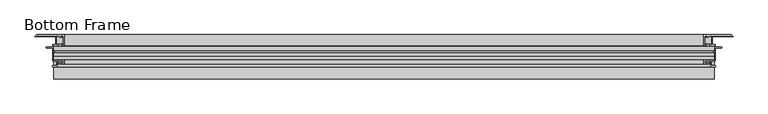
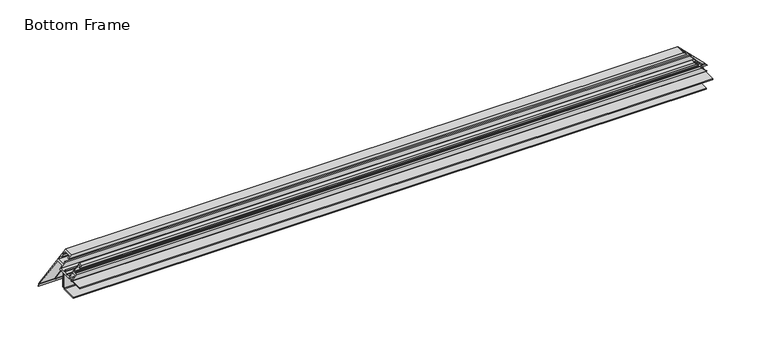
"""IFC4 building model written with IfcOpenShell, lengths in millimetres: proxy geometry, Bottom Frame."""

from ifc_helpers import new_model, si_unit, point, frame, frame_2d, origin, place, context, project, spatial, polyline, circle_curve, ellipse_curve, trimmed, segment, composite_curve, outline, extrude, source, transform, mapped, element, save
from ifc_brep_helpers import plane_surface, cylinder_surface, advanced_brep


def bottom_frame_2cfa7307(model_context):
    return source(origin(), model_context, "Body", "SolidModel", [
        advanced_brep(
        [(-151.3880089, -77.6321612, 295.6853824), (827.1668783, -77.6321612, 295.6853824), (827.1668783, -90.6620297, 295.6853824), (-151.3880089, -90.6620297, 295.6853824), (831.5864783, -90.6620297, 291.2657824), (-155.8076089, -90.6620297, 291.2657824), (831.5864783, -94.3803043, 291.2657824), (-155.8076089, -94.3803043, 291.2657824), (840.7310428, -94.3803043, 282.1212179), (-164.9521733, -94.3803043, 282.1212179), (840.7310428, -95.8979182, 282.1212179), (-164.9521733, -95.8979182, 282.1212179), (831.5864783, -95.8979182, 291.2657824), (-155.8076089, -95.8979182, 291.2657824), (831.5864783, -115.1606612, 291.2657824), (-155.8076089, -115.1606612, 291.2657824), (825.0586783, -115.1606612, 297.7935824), (-149.2798089, -115.1606612, 297.7935824), (825.0586783, -122.1488543, 297.7935824), (-149.2798089, -122.1488543, 297.7935824), (831.2060428, -122.1488543, 291.6462179), (-155.4271733, -122.1488543, 291.6462179), (831.2060428, -123.6696612, 291.6462179), (-155.4271733, -123.6696612, 291.6462179), (823.5346783, -123.6696612, 299.3175824), (-147.7558089, -123.6696612, 299.3175824), (823.5346783, -119.8564682, 299.3175824), (-147.7558089, -119.8564682, 299.3175824), (-147.7558089, -118.3272703, 299.3175824), (823.5346783, -118.3272703, 299.3175824), (823.5346783, -115.1606612, 299.3175824), (-147.7558089, -115.1606612, 299.3175824), (815.3558783, -115.1606612, 307.4963824), (-139.5770089, -115.1606612, 307.4963824), (815.3558783, -118.3272703, 307.4963824), (-139.5770089, -118.3272703, 307.4963824), (-137.7990089, -119.8564682, 309.2743824), (813.5778783, -119.8564682, 309.2743824), (813.5778783, -113.3826612, 309.2743824), (-137.7990089, -113.3826612, 309.2743824), (829.8084783, -113.3826612, 293.0437824), (-154.0296089, -113.3826612, 293.0437824), (829.8084783, -108.4927874, 293.0437824), (-154.0296089, -108.4927874, 293.0437824), (-154.0296089, -107.3505351, 293.0437824), (829.8084783, -107.3505351, 293.0437824), (829.8084783, -102.5144516, 293.0437824), (-154.0296089, -102.5144516, 293.0437824), (-154.0296089, -100.3016612, 293.0437824), (829.8084783, -100.3016612, 293.0437824), (829.8084783, -92.4400297, 293.0437824), (-154.0296089, -92.4400297, 293.0437824), (822.6583783, -92.4400297, 300.1938824), (-146.8795089, -92.4400297, 300.1938824), (822.6583783, -89.7304417, 300.1938824), (-146.8795089, -89.7304417, 300.1938824), (825.2157219, -90.6612387, 297.6365388), (-149.4368525, -90.6612387, 297.6365388), (-139.7479921, -90.6620297, 307.3253992), (815.5268615, -90.6620297, 307.3253992), (818.0863783, -89.7304417, 304.7658824), (-142.3075089, -89.7304417, 304.7658824), (818.0863783, -92.1860297, 304.7658824), (-142.3075089, -92.1860297, 304.7658824), (813.5778783, -92.1860297, 309.2743824), (-137.7990089, -92.1860297, 309.2743824), (813.5778783, -75.8541612, 309.2743824), (-137.7990089, -75.8541612, 309.2743824), (855.2790706, -75.8541612, 267.5731901), (-179.5002012, -75.8541612, 267.5731901), (-178.6796187, -77.6321612, 268.3937725), (854.4584882, -77.6321612, 268.3937725), (-179.4757916, -78.4283341, 267.5975997), (855.254661, -78.4283341, 267.5975997), (-182.074374, -78.4283341, 264.9990172), (857.8532434, -78.4283341, 264.9990172), (-139.7479921, -77.6321612, 307.3253992), (815.5268615, -77.6321612, 307.3253992), (-143.0868525, -77.6321612, 303.9865388), (818.8657219, -77.6321612, 303.9865388), (-143.0868525, -79.3102746, 303.9865388), (818.8657219, -79.3102746, 303.9865388), (-146.1489338, -79.3102746, 300.9244575), (821.9278032, -79.3102746, 300.9244575), (-146.1489338, -77.6321612, 300.9244575), (821.9278032, -77.6321612, 300.9244575), (-149.4368525, -77.6321612, 297.6365388), (825.2157219, -77.6321612, 297.6365388), (-152.6349183, -100.3016612, 294.4384729), (828.4137878, -100.3016612, 294.4384729), (-152.6349183, -102.5144516, 294.4384729), (828.4137878, -102.5144516, 294.4384729), (-154.8452615, -107.9216612, 292.2281297), (830.624131, -107.9216612, 292.2281297), (-141.4508138, -119.8564682, 305.6225774), (817.2296832, -119.8564682, 305.6225774), (-141.4508138, -118.3272703, 305.6225774), (817.2296832, -118.3272703, 305.6225774), (-146.06213, -118.3272703, 301.0112613), (821.8409994, -118.3272703, 301.0112613), (-146.06213, -119.8564682, 301.0112613), (821.8409994, -119.8564682, 301.0112613)],
        [
            (0, 1),
            (1, 2),
            (2, 3),
            (3, 0),
            (2, 4),
            (4, 5),
            (5, 3),
            (4, 6),
            (6, 7),
            (7, 5),
            (6, 8),
            (8, 9),
            (9, 7),
            (8, 10, ellipse_curve(frame((840.3391887, -95.1391112, 282.5130719), z_axis=(-0.7071067811865512, 0.0, -0.7071067811865438), x_axis=(-0.7071067811865439, 0.0, 0.7071067811865512)), 1.2077563, 0.8540127)),
            (10, 11),
            (11, 9, ellipse_curve(frame((-164.5603193, -95.1391112, 282.5130719), z_axis=(0.7071067811865485, 0.0, -0.7071067811865466), x_axis=(-0.7071067811865466, 0.0, -0.7071067811865485)), 1.2077563, 0.8540127)),
            (10, 12),
            (12, 13),
            (13, 11),
            (12, 14),
            (14, 15),
            (15, 13),
            (14, 16),
            (16, 17),
            (17, 15),
            (16, 18),
            (18, 19),
            (19, 17),
            (18, 20),
            (20, 21),
            (21, 19),
            (20, 22, ellipse_curve(frame((830.8657414, -122.9092578, 291.9865193), z_axis=(-0.7071067811865512, 0.0, -0.7071067811865438), x_axis=(-0.7071067811865439, 0.0, 0.7071067811865512)), 1.1781498, 0.8330777)),
            (22, 23),
            (23, 21, ellipse_curve(frame((-155.0868719, -122.9092578, 291.9865193), z_axis=(0.7071067811865485, 0.0, -0.7071067811865466), x_axis=(-0.7071067811865466, 0.0, -0.7071067811865485)), 1.1781498, 0.8330777)),
            (22, 24),
            (24, 25),
            (25, 23),
            (24, 26),
            (26, 27),
            (27, 25),
            (28, 29),
            (29, 30),
            (30, 31),
            (31, 28),
            (30, 32),
            (32, 33),
            (33, 31),
            (32, 34),
            (34, 35),
            (35, 33),
            (36, 37),
            (37, 38),
            (38, 39),
            (39, 36),
            (38, 40),
            (40, 41),
            (41, 39),
            (40, 42),
            (42, 43),
            (43, 41),
            (44, 45),
            (45, 46),
            (46, 47),
            (47, 44),
            (48, 49),
            (49, 50),
            (50, 51),
            (51, 48),
            (50, 52),
            (52, 53),
            (53, 51),
            (52, 54),
            (54, 55),
            (55, 53),
            (54, 56),
            (56, 57),
            (57, 55),
            (58, 59),
            (59, 60),
            (60, 61),
            (61, 58),
            (60, 62),
            (62, 63),
            (63, 61),
            (62, 64),
            (64, 65),
            (65, 63),
            (64, 66),
            (66, 67),
            (67, 65),
            (66, 68),
            (68, 69),
            (69, 67),
            (0, 70),
            (70, 71),
            (71, 1),
            (70, 72),
            (72, 73),
            (73, 71),
            (74, 75),
            (75, 73),
            (72, 74),
            (74, 69),
            (68, 75),
            (58, 76),
            (76, 77),
            (77, 59),
            (76, 78),
            (78, 79),
            (79, 77),
            (78, 80),
            (80, 81),
            (81, 79),
            (80, 82),
            (82, 83),
            (83, 81),
            (82, 84),
            (84, 85),
            (85, 83),
            (84, 86),
            (86, 87),
            (87, 85),
            (86, 57),
            (56, 87),
            (48, 88),
            (88, 89),
            (89, 49),
            (88, 90),
            (90, 91),
            (91, 89),
            (90, 47),
            (46, 91),
            (44, 92),
            (92, 93),
            (93, 45),
            (92, 43),
            (42, 93),
            (36, 94),
            (94, 95),
            (95, 37),
            (94, 96),
            (96, 97),
            (97, 95),
            (96, 35),
            (34, 97),
            (28, 98),
            (98, 99),
            (99, 29),
            (98, 100),
            (100, 101),
            (101, 99),
            (100, 27),
            (26, 101),
        ],
        [
            plane_surface(frame((-182.074374, -77.6321612, 295.6853824), z_axis=(0.0, 0.0, -1.0), x_axis=(1.0, 0.0, 0.0))),
            plane_surface(frame((-182.074374, -90.6620297, 295.6853824), z_axis=(0.0, 1.0, 0.0), x_axis=(1.0, 0.0, 0.0))),
            plane_surface(frame((-182.074374, -90.6620297, 291.2657824), z_axis=(0.0, 0.0, -1.0), x_axis=(1.0, 0.0, 0.0))),
            plane_surface(frame((-182.074374, -94.3803043, 291.2657824), z_axis=(0.0, 1.0, 0.0), x_axis=(1.0, 0.0, 0.0))),
            cylinder_surface(frame((-182.074374, -95.1391112, 282.5130719), z_axis=(-1.0, 0.0, 0.0), x_axis=(0.0, 1.0, 0.0)), 0.8540127),
            plane_surface(frame((-182.074374, -95.8979182, 282.1212179), z_axis=(0.0, -1.0, 0.0), x_axis=(1.0, 0.0, 0.0))),
            plane_surface(frame((-182.074374, -95.8979182, 291.2657824), z_axis=(0.0, 0.0, -1.0), x_axis=(1.0, 0.0, 0.0))),
            plane_surface(frame((-182.074374, -115.1606612, 291.2657824), z_axis=(0.0, -1.0, 0.0), x_axis=(1.0, 0.0, 0.0))),
            plane_surface(frame((-182.074374, -115.1606612, 297.7935824), z_axis=(0.0, 0.0, -1.0), x_axis=(1.0, 0.0, 0.0))),
            plane_surface(frame((-182.074374, -122.1488543, 297.7935824), z_axis=(0.0, 1.0, 0.0), x_axis=(1.0, 0.0, 0.0))),
            cylinder_surface(frame((-182.074374, -122.9092578, 291.9865193), z_axis=(-1.0, 0.0, 0.0), x_axis=(0.0, 1.0, 0.0)), 0.8330777),
            plane_surface(frame((-182.074374, -123.6696612, 291.6462179), z_axis=(0.0, -1.0, 0.0), x_axis=(1.0, 0.0, 0.0))),
            plane_surface(frame((-182.074374, -123.6696612, 299.3175824), z_axis=(0.0, 0.0, 1.0), x_axis=(1.0, 0.0, 0.0))),
            plane_surface(frame((-182.074374, -118.3272703, 299.3175824), z_axis=(0.0, 0.0, 1.0), x_axis=(1.0, 0.0, 0.0))),
            plane_surface(frame((-182.074374, -115.1606612, 299.3175824), z_axis=(0.0, -1.0, 0.0), x_axis=(1.0, 0.0, 0.0))),
            plane_surface(frame((-182.074374, -115.1606612, 307.4963824), z_axis=(0.0, 0.0, -1.0), x_axis=(1.0, 0.0, 0.0))),
            plane_surface(frame((-182.074374, -119.8564682, 309.2743824), z_axis=(0.0, 0.0, 1.0), x_axis=(1.0, 0.0, 0.0))),
            plane_surface(frame((-182.074374, -113.3826612, 309.2743824), z_axis=(0.0, 1.0, 0.0), x_axis=(1.0, 0.0, 0.0))),
            plane_surface(frame((-182.074374, -113.3826612, 293.0437824), z_axis=(0.0, 0.0, 1.0), x_axis=(1.0, 0.0, 0.0))),
            plane_surface(frame((-182.074374, -107.3505351, 293.0437824), z_axis=(0.0, 0.0, 1.0), x_axis=(1.0, 0.0, 0.0))),
            plane_surface(frame((-182.074374, -100.3016612, 293.0437824), z_axis=(0.0, 0.0, 1.0), x_axis=(1.0, 0.0, 0.0))),
            plane_surface(frame((-182.074374, -92.4400297, 293.0437824), z_axis=(0.0, -1.0, 0.0), x_axis=(1.0, 0.0, 0.0))),
            plane_surface(frame((-182.074374, -92.4400297, 300.1938824), z_axis=(0.0, 0.0, 1.0), x_axis=(1.0, 0.0, 0.0))),
            plane_surface(frame((-182.074374, -89.7304417, 300.1938824), z_axis=(0.0, 0.9396926207859121, -0.3420201433256587), x_axis=(1.0, 0.0, 0.0))),
            plane_surface(frame((-182.074374, -90.6620297, 307.3253992), z_axis=(0.0, 0.9396926207859045, 0.3420201433256794), x_axis=(1.0, 0.0, 0.0))),
            plane_surface(frame((-182.074374, -89.7304417, 304.7658824), z_axis=(0.0, 0.0, -1.0), x_axis=(1.0, 0.0, 0.0))),
            plane_surface(frame((-182.074374, -92.1860297, 304.7658824), z_axis=(0.0, -1.0, 0.0), x_axis=(1.0, 0.0, 0.0))),
            plane_surface(frame((-182.074374, -92.1860297, 309.2743824), z_axis=(0.0, 0.0, 1.0), x_axis=(1.0, 0.0, 0.0))),
            plane_surface(frame((-182.074374, -75.8541612, 309.2743824), z_axis=(0.0, 1.0, 0.0), x_axis=(1.0, 0.0, 0.0))),
            plane_surface(frame((-182.074374, -77.6321612, 268.3937725), z_axis=(0.0, -1.0, 0.0), x_axis=(1.0, 0.0, 0.0))),
            plane_surface(frame((-182.074374, -78.4283341, 267.5975997), z_axis=(0.0, -0.707106781186555, 0.70710678118654), x_axis=(1.0, 0.0, 0.0))),
            plane_surface(frame((-182.074374, -78.4283341, 264.9990172), z_axis=(0.0, -1.0, 0.0), x_axis=(1.0, 0.0, 0.0))),
            plane_surface(frame((-182.074374, -75.8541612, 267.5731901), z_axis=(0.0, 0.7071067811865476, -0.7071067811865476), x_axis=(1.0, 0.0, 0.0))),
            plane_surface(frame((-182.074374, -77.6321612, 307.3253992), z_axis=(0.0, 0.0, -1.0), x_axis=(1.0, 0.0, 0.0))),
            plane_surface(frame((-182.074374, -77.6321612, 303.9865388), z_axis=(0.0, -1.0, 0.0), x_axis=(1.0, 0.0, 0.0))),
            plane_surface(frame((-182.074374, -79.3102746, 303.9865388), z_axis=(0.0, 0.0, 1.0), x_axis=(1.0, 0.0, 0.0))),
            plane_surface(frame((-182.074374, -79.3102746, 300.9244575), z_axis=(0.0, -1.0, 0.0), x_axis=(1.0, 0.0, 0.0))),
            plane_surface(frame((-182.074374, -77.6321612, 300.9244575), z_axis=(0.0, 0.0, -1.0), x_axis=(1.0, 0.0, 0.0))),
            plane_surface(frame((-182.074374, -77.6321612, 297.6365388), z_axis=(0.0, -1.0, 0.0), x_axis=(1.0, 0.0, 0.0))),
            plane_surface(frame((-182.074374, -90.6612387, 297.6365388), z_axis=(0.0, 0.0, 1.0), x_axis=(1.0, 0.0, 0.0))),
            plane_surface(frame((-182.074374, -100.3016612, 294.4384729), z_axis=(0.0, 1.0, 0.0), x_axis=(1.0, 0.0, 0.0))),
            plane_surface(frame((-182.074374, -102.5144516, 294.4384729), z_axis=(0.0, 0.0, 1.0), x_axis=(1.0, 0.0, 0.0))),
            plane_surface(frame((-182.074374, -102.5144516, 293.0437824), z_axis=(0.0, -1.0, 0.0), x_axis=(1.0, 0.0, 0.0))),
            plane_surface(frame((-182.074374, -107.9216612, 292.2281297), z_axis=(0.0, -0.8191520442889877, 0.573576436351052), x_axis=(1.0, 0.0, 0.0))),
            plane_surface(frame((-182.074374, -108.4927874, 293.0437824), z_axis=(0.0, 0.8191520442889936, 0.5735764363510437), x_axis=(1.0, 0.0, 0.0))),
            plane_surface(frame((-182.074374, -119.8564682, 305.6225774), z_axis=(0.0, -1.0, 0.0), x_axis=(1.0, 0.0, 0.0))),
            plane_surface(frame((-182.074374, -118.3272703, 305.6225774), z_axis=(0.0, 0.0, -1.0), x_axis=(1.0, 0.0, 0.0))),
            plane_surface(frame((-182.074374, -118.3272703, 307.4963824), z_axis=(0.0, 1.0, 0.0), x_axis=(1.0, 0.0, 0.0))),
            plane_surface(frame((-182.074374, -118.3272703, 301.0112613), z_axis=(0.0, 1.0, 0.0), x_axis=(1.0, 0.0, 0.0))),
            plane_surface(frame((-182.074374, -119.8564682, 301.0112613), z_axis=(0.0, 0.0, 1.0), x_axis=(1.0, 0.0, 0.0))),
            plane_surface(frame((-182.074374, -119.8564682, 299.3175824), z_axis=(0.0, -1.0, 0.0), x_axis=(1.0, 0.0, 0.0))),
            plane_surface(frame((-128.1928373, -50.4541612, 318.880554), z_axis=(-0.7071067811865485, 0.0, 0.7071067811865466), x_axis=(0.0, -1.0, 0.0))),
            plane_surface(frame((867.4717067, -50.4541612, 255.380554), z_axis=(0.7071067811865512, 0.0, 0.7071067811865438), x_axis=(0.0, -1.0, 0.0))),
        ],
        [
            (0, [[1, 2, 3, 4]]),
            (1, [[-3, 5, 6, 7]]),
            (2, [[-6, 8, 9, 10]]),
            (3, [[-9, 11, 12, 13]]),
            (4, [[-12, 14, 15, 16]]),
            (5, [[-15, 17, 18, 19]]),
            (6, [[-18, 20, 21, 22]]),
            (7, [[-21, 23, 24, 25]]),
            (8, [[-24, 26, 27, 28]]),
            (9, [[-27, 29, 30, 31]]),
            (10, [[-30, 32, 33, 34]]),
            (11, [[-33, 35, 36, 37]]),
            (12, [[-36, 38, 39, 40]]),
            (13, [[41, 42, 43, 44]]),
            (14, [[-43, 45, 46, 47]]),
            (15, [[-46, 48, 49, 50]]),
            (16, [[51, 52, 53, 54]]),
            (17, [[-53, 55, 56, 57]]),
            (18, [[-56, 58, 59, 60]]),
            (19, [[61, 62, 63, 64]]),
            (20, [[65, 66, 67, 68]]),
            (21, [[-67, 69, 70, 71]]),
            (22, [[-70, 72, 73, 74]]),
            (23, [[-73, 75, 76, 77]]),
            (24, [[78, 79, 80, 81]]),
            (25, [[-80, 82, 83, 84]]),
            (26, [[-83, 85, 86, 87]]),
            (27, [[-86, 88, 89, 90]]),
            (28, [[-89, 91, 92, 93]]),
            (29, [[-1, 94, 95, 96]]),
            (30, [[-95, 97, 98, 99]]),
            (31, [[100, 101, -98, 102]]),
            (32, [[-100, 103, -92, 104]]),
            (33, [[-78, 105, 106, 107]]),
            (34, [[-106, 108, 109, 110]]),
            (35, [[-109, 111, 112, 113]]),
            (36, [[-112, 114, 115, 116]]),
            (37, [[-115, 117, 118, 119]]),
            (38, [[-118, 120, 121, 122]]),
            (39, [[-121, 123, -76, 124]]),
            (40, [[-65, 125, 126, 127]]),
            (41, [[-126, 128, 129, 130]]),
            (42, [[-129, 131, -63, 132]]),
            (43, [[-61, 133, 134, 135]]),
            (44, [[-134, 136, -59, 137]]),
            (45, [[-51, 138, 139, 140]]),
            (46, [[-139, 141, 142, 143]]),
            (47, [[-142, 144, -49, 145]]),
            (48, [[-41, 146, 147, 148]]),
            (49, [[-147, 149, 150, 151]]),
            (50, [[-150, 152, -39, 153]]),
            (51, [[-4, -7, -10, -13, -16, -19, -22, -25, -28, -31, -34, -37, -40, -152, -149, -146, -44, -47, -50, -144, -141, -138, -54, -57, -60, -136, -133, -64, -131, -128, -125, -68, -71, -74, -77, -123, -120, -117, -114, -111, -108, -105, -81, -84, -87, -90, -93, -103, -102, -97, -94]]),
            (52, [[-2, -96, -99, -101, -104, -91, -88, -85, -82, -79, -107, -110, -113, -116, -119, -122, -124, -75, -72, -69, -66, -127, -130, -132, -62, -135, -137, -58, -55, -52, -140, -143, -145, -48, -45, -42, -148, -151, -153, -38, -35, -32, -29, -26, -23, -20, -17, -14, -11, -8, -5]]),
        ],
    ),
        extrude(outline(composite_curve([segment(polyline([(-142.2300781, 291.2657824), (-101.5018112, 291.2657824)]), True, "CONTINUOUS"), segment(trimmed(circle_curve(frame_2d((-101.5018112, 288.8400824)), 2.4257), [point((-101.5018112, 291.2657824))], [point((-99.0761112, 288.8400824))], False, "CARTESIAN"), True, "CONTINUOUS"), segment(polyline([(-99.0761112, 288.8400824), (-99.0761112, 265.7006824)]), True, "CONTINUOUS"), segment(trimmed(circle_curve(frame_2d((-101.5018112, 265.7006824)), 2.4257), [point((-99.0761112, 265.7006824))], [point((-101.5018112, 263.2749824))], False, "CARTESIAN"), True, "CONTINUOUS"), segment(polyline([(-101.5018112, 263.2749824), (-124.4761112, 263.2749824), (-124.4761112, 264.8878824), (-101.5187721, 264.8878824)]), True, "CONTINUOUS"), segment(trimmed(circle_curve(frame_2d((-101.5187721, 265.7176432)), 0.8297608), [point((-101.5187721, 264.8878824))], [point((-100.6890112, 265.7176432))], True, "CARTESIAN"), True, "CONTINUOUS"), segment(polyline([(-100.6890112, 265.7176432), (-100.6890112, 288.8400824)]), True, "CONTINUOUS"), segment(trimmed(circle_curve(frame_2d((-101.5018112, 288.8400824)), 0.8128), [point((-100.6890112, 288.8400824))], [point((-101.5018112, 289.6528824))], True, "CARTESIAN"), True, "CONTINUOUS"), segment(polyline([(-101.5018112, 289.6528824), (-142.2300781, 289.6528824), (-142.2300781, 291.2657824)]), True, "CONTINUOUS")], self_intersect=False)), frame((-153.959423, 0.0, 0.0), z_axis=(1.0, 0.0, 0.0), x_axis=(0.0, 1.0, 0.0)), (0.0, 0.0, 1.0), 983.7418957),
        extrude(outline(polyline([(829.7824727, -95.9011112), (829.7824727, -99.0761112), (-153.959423, -99.0761112), (-153.959423, -95.9011112), (829.7824727, -95.9011112)])), frame((0.0, 0.0, 264.5703824), z_axis=(0.0, 0.0, 1.0), x_axis=(1.0, 0.0, 0.0)), (0.0, 0.0, 1.0), 25.4),
    ])


if __name__ == "__main__":
    model = new_model("IFC4")
    model_context = context("Model", 3, world=origin())
    ifc_project = project(units=[si_unit("LENGTHUNIT", "METRE", prefix="MILLI")], contexts=[model_context])
    site = spatial("IfcSite", under=ifc_project)
    building = spatial("IfcBuilding", under=site)
    placement = place(None, origin())
    bottom_frame_shape = bottom_frame_2cfa7307(model_context)
    element("IfcBuildingElementProxy", 1, Name="Bottom Frame", ObjectType="Bottom Frame", at=placement, inside=building, context=model_context, shape_type="MappedRepresentation", body=[
        mapped(bottom_frame_shape, transform((0.0, 0.0, 0.0), x_axis=(1.0, 0.0, 0.0), y_axis=(0.0, 1.0, 0.0), z_axis=(0.0, 0.0, 1.0))),
    ])
    save(model, "model.ifc")
